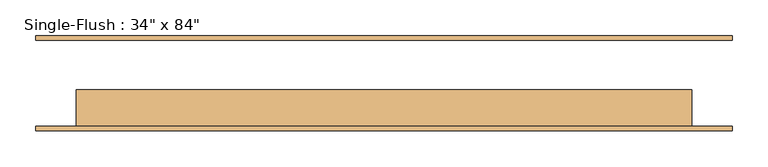
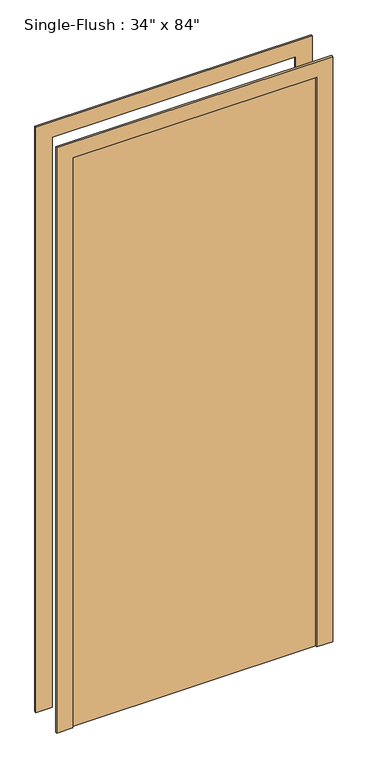
"""IFC4 building model written with IfcOpenShell, lengths in millimetres: door geometry."""

from ifc_helpers import new_model, si_unit, frame, origin, origin_with_axes, place, context, project, spatial, polyline, outline, extrude, source, transform, mapped, element, save


def door_e83a1e97(model_context):
    return source(origin(), model_context, "Body", "SweptSolid", [
        extrude(outline(polyline([(2190.75, -488.95), (0.0, -488.95), (0.0, -431.8), (2133.6, -431.8), (2133.6, 431.8), (0.0, 431.8), (0.0, 488.95), (2190.75, 488.95), (2190.75, -488.95)])), frame((0.0, -66.675, 0.0), z_axis=(0.0, 1.0, 0.0), x_axis=(0.0, 0.0, 1.0)), (0.0, 0.0, 1.0), 6.35),
        extrude(outline(polyline([(2190.75, 488.95), (2190.75, -488.95), (0.0, -488.95), (0.0, -431.8), (2133.6, -431.8), (2133.6, 431.8), (0.0, 431.8), (0.0, 488.95), (2190.75, 488.95)])), frame((0.0, 60.325, 0.0), z_axis=(0.0, 1.0, 0.0), x_axis=(0.0, 0.0, 1.0)), (0.0, 0.0, 1.0), 6.35),
        extrude(outline(polyline([(431.8, -9.525), (431.8, -60.325), (-431.8, -60.325), (-431.8, -9.525), (431.8, -9.525)])), origin_with_axes(), (0.0, 0.0, 1.0), 2133.6),
    ])


if __name__ == "__main__":
    model = new_model("IFC4")
    model_context = context("Model", 3, world=origin())
    ifc_project = project(units=[si_unit("LENGTHUNIT", "METRE", prefix="MILLI")], contexts=[model_context])
    site = spatial("IfcSite", under=ifc_project)
    building = spatial("IfcBuilding", under=site)
    placement = place(None, origin())
    door_shape = door_e83a1e97(model_context)
    element("IfcDoor", 1, ObjectType="Single-Flush : 34\" x 84\"", at=placement, inside=building, context=model_context, shape_type="MappedRepresentation", body=[
        mapped(door_shape, transform((0.0, 0.0, 0.0), x_axis=(1.0, 0.0, 0.0), y_axis=(0.0, 1.0, 0.0), z_axis=(0.0, 0.0, 1.0))),
    ])
    save(model, "model.ifc")
